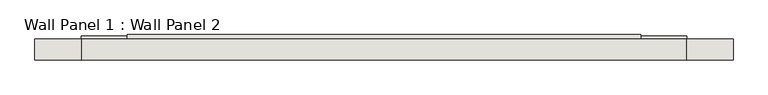
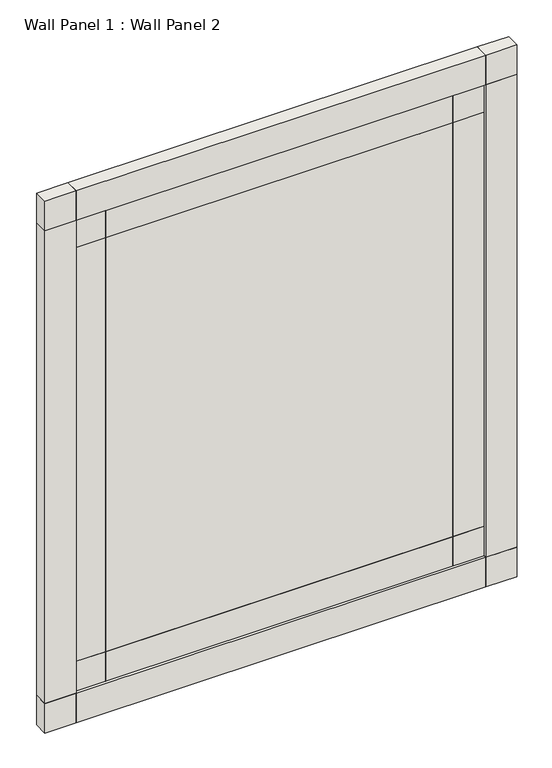
"""IFC4 building model written with IfcOpenShell, lengths in millimetres: wall geometry, Wall Panel 1 : Wall Panel 2."""

from ifc_helpers import new_model, si_unit, frame, origin, place, context, project, spatial, polyline, outline, extrude, source, transform, mapped, element, save


def wall_panel_1_wall_panel_2_c086d5c3(model_context):
    return source(origin(), model_context, "Body", "SweptSolid", [
        extrude(outline(polyline([(113988.3665528, 2254.2499998), (111727.7664059, 2254.2499998), (111727.7664059, 2346.3249998), (113988.3665528, 2346.3249998), (113988.3665528, 2254.2499998)])), frame((0.0, 0.0, 609.6), z_axis=(0.0, 0.0, 1.0), x_axis=(1.0, 0.0, 0.0)), (0.0, 0.0, 1.0), 2844.8),
        extrude(outline(polyline([(113988.3665528, 2254.2499998), (111727.7664059, 2254.2499998), (111727.7664059, 2346.3249998), (113988.3665528, 2346.3249998), (113988.3665528, 2254.2499998)])), frame((0.0, 0.0, 3454.4), z_axis=(0.0, 0.0, 1.0), x_axis=(1.0, 0.0, 0.0)), (0.0, 0.0, 1.0), 203.2),
        extrude(outline(polyline([(113988.3665528, 2254.2499998), (111727.7664059, 2254.2499998), (111727.7664059, 2346.3249998), (113988.3665528, 2346.3249998), (113988.3665528, 2254.2499998)])), frame((0.0, 0.0, 406.4), z_axis=(0.0, 0.0, 1.0), x_axis=(1.0, 0.0, 0.0)), (0.0, 0.0, 1.0), 203.2),
        extrude(outline(polyline([(111727.7664059, 2254.2499998), (111524.5664059, 2254.2499998), (111524.5664059, 2339.9749998), (111727.7664059, 2339.9749998), (111727.7664059, 2254.2499998)])), frame((0.0, 0.0, 609.6), z_axis=(0.0, 0.0, 1.0), x_axis=(1.0, 0.0, 0.0)), (0.0, 0.0, 1.0), 2844.8),
        extrude(outline(polyline([(114191.5665528, 2254.2499998), (113988.3665528, 2254.2499998), (113988.3665528, 2339.9749998), (114191.5665528, 2339.9749998), (114191.5665528, 2254.2499998)])), frame((0.0, 0.0, 609.6), z_axis=(0.0, 0.0, 1.0), x_axis=(1.0, 0.0, 0.0)), (0.0, 0.0, 1.0), 2844.8),
        extrude(outline(polyline([(111727.7664059, 2254.2499998), (111524.5664059, 2254.2499998), (111524.5664059, 2339.9749998), (111727.7664059, 2339.9749998), (111727.7664059, 2254.2499998)])), frame((0.0, 0.0, 3454.4), z_axis=(0.0, 0.0, 1.0), x_axis=(1.0, 0.0, 0.0)), (0.0, 0.0, 1.0), 203.2),
        extrude(outline(polyline([(114191.5665528, 2254.2499998), (113988.3665528, 2254.2499998), (113988.3665528, 2339.9749998), (114191.5665528, 2339.9749998), (114191.5665528, 2254.2499998)])), frame((0.0, 0.0, 3454.4), z_axis=(0.0, 0.0, 1.0), x_axis=(1.0, 0.0, 0.0)), (0.0, 0.0, 1.0), 203.2),
        extrude(outline(polyline([(111727.7664059, 2254.2499998), (111524.5664059, 2254.2499998), (111524.5664059, 2339.9749998), (111727.7664059, 2339.9749998), (111727.7664059, 2254.2499998)])), frame((0.0, 0.0, 406.4), z_axis=(0.0, 0.0, 1.0), x_axis=(1.0, 0.0, 0.0)), (0.0, 0.0, 1.0), 203.2),
        extrude(outline(polyline([(114191.5665528, 2254.2499998), (113988.3665528, 2254.2499998), (113988.3665528, 2339.9749998), (114191.5665528, 2339.9749998), (114191.5665528, 2254.2499998)])), frame((0.0, 0.0, 406.4), z_axis=(0.0, 0.0, 1.0), x_axis=(1.0, 0.0, 0.0)), (0.0, 0.0, 1.0), 203.2),
        extrude(outline(polyline([(111524.5664059, 2235.1999998), (111321.3664059, 2235.1999998), (111321.3664059, 2327.2749998), (111524.5664059, 2327.2749998), (111524.5664059, 2235.1999998)])), frame((0.0, 0.0, 3657.6), z_axis=(0.0, 0.0, 1.0), x_axis=(1.0, 0.0, 0.0)), (0.0, 0.0, 1.0), 203.2),
        extrude(outline(polyline([(114394.7664057, 2235.1999998), (114191.5664057, 2235.1999998), (114191.5664057, 2327.2749998), (114394.7664057, 2327.2749998), (114394.7664057, 2235.1999998)])), frame((0.0, 0.0, 3657.6), z_axis=(0.0, 0.0, 1.0), x_axis=(1.0, 0.0, 0.0)), (0.0, 0.0, 1.0), 203.2),
        extrude(outline(polyline([(114394.7664057, 2235.1999998), (114191.5664057, 2235.1999998), (114191.5664057, 2327.2749998), (114394.7664057, 2327.2749998), (114394.7664057, 2235.1999998)])), frame((0.0, 0.0, 203.2), z_axis=(0.0, 0.0, 1.0), x_axis=(1.0, 0.0, 0.0)), (0.0, 0.0, 1.0), 203.2),
        extrude(outline(polyline([(111524.5664059, 2235.1999998), (111321.3664059, 2235.1999998), (111321.3664059, 2327.2749998), (111524.5664059, 2327.2749998), (111524.5664059, 2235.1999998)])), frame((0.0, 0.0, 203.2), z_axis=(0.0, 0.0, 1.0), x_axis=(1.0, 0.0, 0.0)), (0.0, 0.0, 1.0), 203.2),
        extrude(outline(polyline([(111524.5664059, 2235.1999998), (111321.3664059, 2235.1999998), (111321.3664059, 2327.2749998), (111524.5664059, 2327.2749998), (111524.5664059, 2235.1999998)])), frame((0.0, 0.0, 406.4), z_axis=(0.0, 0.0, 1.0), x_axis=(1.0, 0.0, 0.0)), (0.0, 0.0, 1.0), 3251.2),
        extrude(outline(polyline([(114394.7664057, 2235.1999998), (114191.5665528, 2235.1999998), (114191.5665528, 2327.2749998), (114394.7664057, 2327.2749998), (114394.7664057, 2235.1999998)])), frame((0.0, 0.0, 406.4), z_axis=(0.0, 0.0, 1.0), x_axis=(1.0, 0.0, 0.0)), (0.0, 0.0, 1.0), 3251.2),
        extrude(outline(polyline([(114191.5664057, 2235.1999998), (111524.5664059, 2235.1999998), (111524.5664059, 2327.2749998), (114191.5664057, 2327.2749998), (114191.5664057, 2235.1999998)])), frame((0.0, 0.0, 3657.6), z_axis=(0.0, 0.0, 1.0), x_axis=(1.0, 0.0, 0.0)), (0.0, 0.0, 1.0), 203.2),
        extrude(outline(polyline([(114191.5664057, 2235.1999998), (111524.5664059, 2235.1999998), (111524.5664059, 2327.2749998), (114191.5664057, 2327.2749998), (114191.5664057, 2235.1999998)])), frame((0.0, 0.0, 203.2), z_axis=(0.0, 0.0, 1.0), x_axis=(1.0, 0.0, 0.0)), (0.0, 0.0, 1.0), 203.2),
    ])


if __name__ == "__main__":
    model = new_model("IFC4")
    model_context = context("Model", 3, world=origin())
    ifc_project = project(units=[si_unit("LENGTHUNIT", "METRE", prefix="MILLI")], contexts=[model_context])
    site = spatial("IfcSite", under=ifc_project)
    building = spatial("IfcBuilding", under=site)
    placement = place(None, origin())
    wall_panel_1_wall_panel_2_shape = wall_panel_1_wall_panel_2_c086d5c3(model_context)
    element("IfcWall", 1, ObjectType="Wall Panel 1 : Wall Panel 2", at=placement, inside=building, context=model_context, shape_type="MappedRepresentation", body=[
        mapped(wall_panel_1_wall_panel_2_shape, transform((0.0, 0.0, 0.0), x_axis=(1.0, 0.0, 0.0), y_axis=(0.0, 1.0, 0.0), z_axis=(0.0, 0.0, 1.0))),
    ])
    save(model, "model.ifc")
